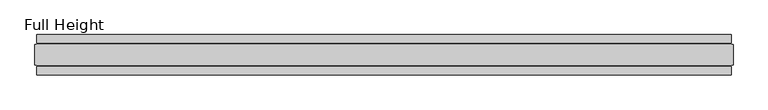
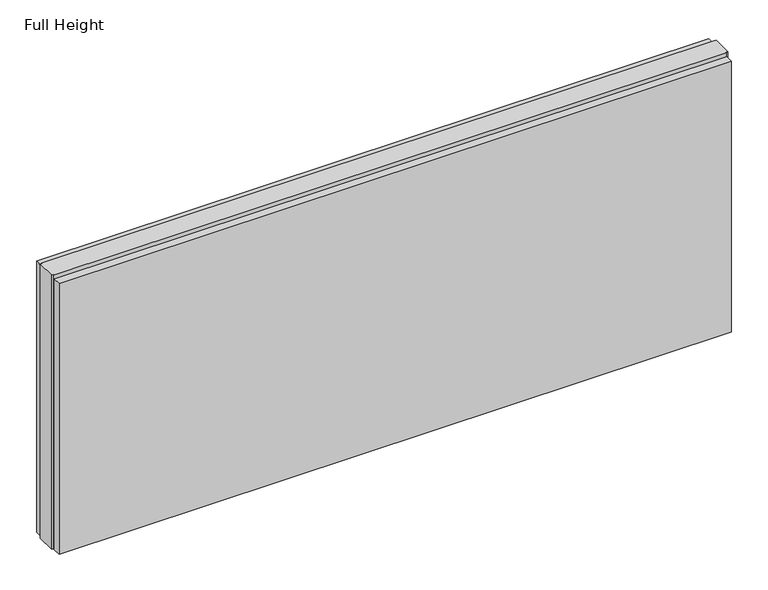
"""IFC4 building model written with IfcOpenShell, lengths in millimetres: plate geometry, Full Height."""

import ifcopenshell
import ifcopenshell.guid

model = None  # the IFC model being written
_history = None  # IfcOwnerHistory: only IFC2X3 demands one
_inside = {}  # id of a spatial element -> (the spatial element, [elements in it])
_under = {}  # id of a project, library or spatial element -> (it, [spatial elements below it])
_declared = {}  # id of a project -> (the project, [libraries it declares])
_typed = {}  # id of a type object -> (the type object, [elements of that type])
_made_of = {}  # id of a material, layer set ... -> (it, [elements and type objects made of it])


def new_model(schema):
    """Start an empty IFC model of exactly this schema.

    Asked for "IFC4X3", IfcOpenShell would pick the latest addendum, in which some entities
    have other attributes; the version numbers below select the first issue.
    IFC2X3 requires an IfcOwnerHistory on every rooted entity: one is made here for all.
    """
    global model, _history
    if schema == "IFC4X3":
        model = ifcopenshell.file(schema_version=(4, 3, 0, 0))
    else:
        model = ifcopenshell.file(schema=schema)
    _inside.clear()
    _under.clear()
    _declared.clear()
    _typed.clear()
    _made_of.clear()
    _history = None
    if model.schema == "IFC2X3":
        org = make("IfcOrganization", Name="unknown")
        user = make(
            "IfcPersonAndOrganization",
            ThePerson=make("IfcPerson", FamilyName="unknown"),
            TheOrganization=org,
        )
        app = make(
            "IfcApplication",
            ApplicationDeveloper=org,
            Version="unknown",
            ApplicationFullName="unknown",
            ApplicationIdentifier="unknown",
        )
        _history = make(
            "IfcOwnerHistory",
            OwningUser=user,
            OwningApplication=app,
            ChangeAction="ADDED",
            CreationDate=0,
        )
    return model


def make(cls, **values):
    """One entity of the class cls with the attributes given. An attribute that is None is left unset."""
    return model.create_entity(
        cls, **{name: value for name, value in values.items() if value is not None}
    )


def rooted(cls, **values):
    """An entity with a GlobalId (a new one), such as an element, a storey or a relation."""
    return make(cls, GlobalId=ifcopenshell.guid.new(), OwnerHistory=_history, **values)


def si_unit(unit_type, name, prefix=None):
    """IfcSIUnit, for example si_unit("LENGTHUNIT", "METRE", prefix="MILLI")."""
    return make("IfcSIUnit", UnitType=unit_type, Prefix=prefix, Name=name)


def assignment(units):
    """IfcUnitAssignment: the units of a project."""
    return None if units is None else make("IfcUnitAssignment", Units=units)


def point(xyz):
    """IfcCartesianPoint."""
    return None if xyz is None else make("IfcCartesianPoint", Coordinates=xyz)


def direction(xyz):
    """IfcDirection."""
    return None if xyz is None else make("IfcDirection", DirectionRatios=xyz)


def frame(location, z_axis=None, x_axis=None):
    """IfcAxis2Placement3D, a coordinate frame: its origin and axes. An axis left out is left unset."""
    return make(
        "IfcAxis2Placement3D",
        Location=point(location),
        Axis=direction(z_axis),
        RefDirection=direction(x_axis),
    )


def origin():
    """The frame at (0, 0, 0) with its axes left unset."""
    return frame((0.0, 0.0, 0.0))


def origin_with_axes():
    """The frame at (0, 0, 0) with the z axis (0, 0, 1) and the x axis (1, 0, 0) written out."""
    return frame((0.0, 0.0, 0.0), z_axis=(0.0, 0.0, 1.0), x_axis=(1.0, 0.0, 0.0))


def place(relative_to, where):
    """IfcLocalPlacement: puts the frame where relative to a parent placement (None: the world)."""
    return make(
        "IfcLocalPlacement", PlacementRelTo=relative_to, RelativePlacement=where
    )


def context(
    kind, dimensions, precision=None, world=None, true_north=None, identifier=None
):
    """IfcGeometricRepresentationContext, for example the 3D "Model" context."""
    return make(
        "IfcGeometricRepresentationContext",
        ContextIdentifier=identifier,
        ContextType=kind,
        CoordinateSpaceDimension=dimensions,
        Precision=precision,
        WorldCoordinateSystem=world,
        TrueNorth=true_north,
    )


def project(units=None, contexts=None):
    """IfcProject with its units and contexts."""
    return rooted(
        "IfcProject",
        Name="project",
        RepresentationContexts=contexts,
        UnitsInContext=assignment(units),
    )


def spatial(cls, under=None, at=None, **own):
    """A site, building, storey or space (cls), placed at a placement, below another one or the project."""
    s = rooted(cls, ObjectPlacement=at, **own)
    if under is not None:
        _under.setdefault(under.id(), (under, []))[1].append(s)
    return s


def polyline(points):
    """IfcPolyline through the points."""
    return make("IfcPolyline", Points=[point(p) for p in points])


def outline(outer, holes=None, kind="AREA"):
    """IfcArbitraryClosedProfileDef: a profile drawn as a closed curve; with holes, ...WithVoids."""
    if holes is None:
        return make("IfcArbitraryClosedProfileDef", ProfileType=kind, OuterCurve=outer)
    return make(
        "IfcArbitraryProfileDefWithVoids",
        ProfileType=kind,
        OuterCurve=outer,
        InnerCurves=holes,
    )


def extrude(swept, where, along, depth):
    """IfcExtrudedAreaSolid: the profile swept, set in the frame where, extruded along a direction by depth."""
    return make(
        "IfcExtrudedAreaSolid",
        SweptArea=swept,
        Position=where,
        ExtrudedDirection=direction(along),
        Depth=depth,
    )


def shape(context_of_items, identifier, shape_type, items):
    """IfcShapeRepresentation: the items that make up one representation, for example the "Body"."""
    return make(
        "IfcShapeRepresentation",
        ContextOfItems=context_of_items,
        RepresentationIdentifier=identifier,
        RepresentationType=shape_type,
        Items=items,
    )


def source(mapping_origin, context_of_items, identifier, shape_type, items):
    """IfcRepresentationMap: a shape defined once, which mapped items show again and again."""
    return make(
        "IfcRepresentationMap",
        MappingOrigin=mapping_origin,
        MappedRepresentation=shape(context_of_items, identifier, shape_type, items),
    )


def transform(
    local_origin,
    x_axis=None,
    y_axis=None,
    z_axis=None,
    scale=None,
    scale2=None,
    scale3=None,
    uniform=True,
):
    """IfcCartesianTransformationOperator3D, or its non-uniform kind. x_axis, y_axis, z_axis: its Axis1, 2, 3."""
    if uniform:
        return make(
            "IfcCartesianTransformationOperator3D",
            Axis1=direction(x_axis),
            Axis2=direction(y_axis),
            LocalOrigin=point(local_origin),
            Scale=scale,
            Axis3=direction(z_axis),
        )
    return make(
        "IfcCartesianTransformationOperator3DnonUniform",
        Axis1=direction(x_axis),
        Axis2=direction(y_axis),
        LocalOrigin=point(local_origin),
        Scale=scale,
        Axis3=direction(z_axis),
        Scale2=scale2,
        Scale3=scale3,
    )


def mapped(mapping_source, mapping_target):
    """IfcMappedItem: shows the shape of a source again, moved by a transform."""
    return make(
        "IfcMappedItem", MappingSource=mapping_source, MappingTarget=mapping_target
    )


def made_of(thing, what):
    """Note that an element or type object is made of a material, layer set ...; save() writes the relation."""
    if what is not None:
        _made_of.setdefault(what.id(), (what, []))[1].append(thing)
    return thing


def element(
    cls,
    number,
    at=None,
    inside=None,
    cuts=None,
    type_object=None,
    material=None,
    context=None,
    identifier="Body",
    shape_type=None,
    held_by="IfcProductDefinitionShape",
    body=None,
    shapes=None,
    **own,
):
    """One element of the class cls, such as IfcWall. Its Tag is "e" and its number.

    at: its placement. inside: the storey or other place that contains it. cuts: it is an
    opening in that element (IfcRelVoidsElement). A single representation is given by context,
    identifier, shape_type and body (its items); several are given by shapes. held_by: the class
    of the entity that holds the representations. save() writes the other relations.
    """
    e = rooted(cls, Tag="e%d" % number, ObjectPlacement=at, **own)
    if body is not None:
        shapes = [shape(context, identifier, shape_type, body)]
    if shapes is not None:
        e.Representation = make(held_by, Representations=shapes)
    if inside is not None:
        _inside.setdefault(inside.id(), (inside, []))[1].append(e)
    if cuts is not None:
        rooted(
            "IfcRelVoidsElement", RelatingBuildingElement=cuts, RelatedOpeningElement=e
        )
    if type_object is not None:
        _typed.setdefault(type_object.id(), (type_object, []))[1].append(e)
    return made_of(e, material)


def aggregate(whole, parts):
    """IfcRelAggregates: a whole, such as a stair, and the parts it consists of."""
    return rooted("IfcRelAggregates", RelatingObject=whole, RelatedObjects=parts)


def save(model, path):
    """Write the relations noted so far, then the file.

    IfcRelAggregates (storeys below a building ...), IfcRelContainedInSpatialStructure (elements
    in a storey), IfcRelDefinesByType, IfcRelAssociatesMaterial and IfcRelDeclares: one each for
    every whole, place, type object, material and project.
    """
    for whole, parts in _under.values():
        aggregate(whole, parts)
    for where, things in _inside.values():
        rooted(
            "IfcRelContainedInSpatialStructure",
            RelatedElements=things,
            RelatingStructure=where,
        )
    for kind, things in _typed.values():
        rooted("IfcRelDefinesByType", RelatedObjects=things, RelatingType=kind)
    for what, things in _made_of.values():
        rooted("IfcRelAssociatesMaterial", RelatedObjects=things, RelatingMaterial=what)
    for by, libraries in _declared.values():
        rooted("IfcRelDeclares", RelatingContext=by, RelatedDefinitions=libraries)
    model.write(path)


def full_height_e7045647(model_context):
    return source(origin(), model_context, "Body", "SweptSolid", [
        extrude(outline(polyline([(856.1864857, 28.956), (-856.1864857, 28.956), (-856.1864857, 49.53), (856.1864857, 49.53), (856.1864857, 28.956)])), origin_with_axes(), (0.0, 0.0, 1.0), 729.996),
        extrude(outline(polyline([(856.1864857, -28.956), (856.1864857, -49.53), (-856.1864857, -49.53), (-856.1864857, -28.956), (856.1864857, -28.956)])), origin_with_axes(), (0.0, 0.0, 1.0), 729.996),
        extrude(outline(polyline([(856.1864857, -25.146), (856.1864857, -26.67), (-856.1864857, -26.67), (-856.1864857, -25.146), (-860.7584857, -25.146), (-860.7584857, 25.146), (-856.1864857, 25.146), (-856.1864857, 26.67), (856.1864857, 26.67), (856.1864857, 25.146), (860.7584857, 25.146), (860.7584857, -25.146), (856.1864857, -25.146)])), origin_with_axes(), (0.0, 0.0, 1.0), 739.14),
    ])


if __name__ == "__main__":
    model = new_model("IFC4")
    model_context = context("Model", 3, world=origin())
    ifc_project = project(units=[si_unit("LENGTHUNIT", "METRE", prefix="MILLI")], contexts=[model_context])
    site = spatial("IfcSite", under=ifc_project)
    building = spatial("IfcBuilding", under=site)
    placement = place(None, origin())
    full_height_shape = full_height_e7045647(model_context)
    element("IfcPlate", 1, ObjectType="Full Height", at=placement, inside=building, context=model_context, shape_type="MappedRepresentation", body=[
        mapped(full_height_shape, transform((0.0, 0.0, 0.0), x_axis=(1.0, 0.0, 0.0), y_axis=(0.0, 1.0, 0.0), z_axis=(0.0, 0.0, 1.0))),
    ])
    save(model, "model.ifc")
